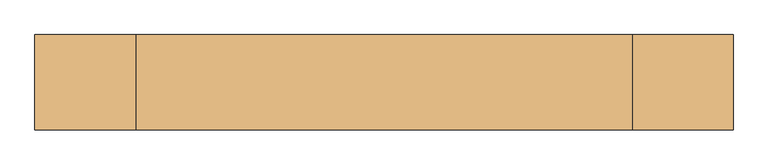
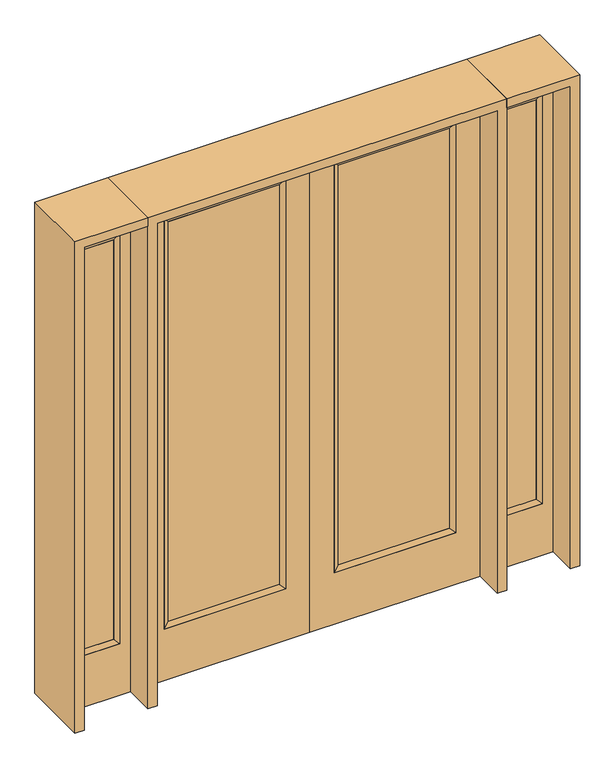
"""IFC4 building model written with IfcOpenShell, lengths in millimetres: door geometry."""

from ifc_helpers import new_model, si_unit, frame, origin, place, context, project, spatial, polyline, outline, extrude, faceted_brep, source, transform, mapped, element, save


def door_7eae0611(model_context):
    return source(origin(), model_context, "Body", "SolidModel", [
        extrude(outline(polyline([(140.8176, -12.7039749), (140.8176, 14.2875), (671.9824, 14.2875), (671.9824, -12.7039749), (140.8176, -12.7039749)])), frame((0.0, 0.0, 285.75), z_axis=(0.0, 0.0, 1.0), x_axis=(1.0, 0.0, 0.0)), (0.0, 0.0, 1.0), 2019.3),
        faceted_brep([(140.8176, 14.2875, 2305.05), (140.8176, 14.2875, 285.75), (115.4176, 22.225, 260.35), (115.4176, 22.225, 2330.45), (115.4176, -22.225, 260.35), (115.4176, -22.225, 2330.45), (671.9824, 14.2875, 285.75), (697.3824, 22.225, 260.35), (140.8176, -12.7039749, 2305.05), (140.8176, -12.7039749, 285.75), (671.9824, -12.7039749, 285.75), (697.3824, -22.225, 260.35), (671.9824, 14.2875, 2305.05), (697.3824, 22.225, 2330.45), (671.9824, -12.7039749, 2305.05), (697.3824, -22.225, 2330.45)], [[[0, 1, 2, 3]], [[3, 2, 4, 5]], [[1, 6, 7, 2]], [[8, 9, 1, 0]], [[9, 10, 6, 1]], [[5, 4, 9, 8]], [[4, 11, 10, 9]], [[2, 7, 11, 4]], [[6, 12, 13, 7]], [[10, 14, 12, 6]], [[11, 15, 14, 10]], [[7, 13, 15, 11]], [[12, 0, 3, 13]], [[14, 8, 0, 12]], [[15, 5, 8, 14]], [[13, 3, 5, 15]]]),
        extrude(outline(polyline([(0.0, 812.8), (2438.4, 812.8), (2438.4, 0.0), (0.0, 0.0), (0.0, 812.8)]), holes=[polyline([(260.35, 697.3824), (260.35, 115.4176), (2330.45, 115.4176), (2330.45, 697.3824), (260.35, 697.3824)])]), frame((0.0, -22.225, 0.0), z_axis=(0.0, 1.0, 0.0), x_axis=(0.0, 0.0, 1.0)), (0.0, 0.0, 1.0), 44.45),
        extrude(outline(polyline([(-140.8176, -12.7039749), (-671.9824, -12.7039749), (-671.9824, 14.2875), (-140.8176, 14.2875), (-140.8176, -12.7039749)])), frame((0.0, 0.0, 285.75), z_axis=(0.0, 0.0, 1.0), x_axis=(1.0, 0.0, 0.0)), (0.0, 0.0, 1.0), 2019.3),
        faceted_brep([(-140.8176, 14.2875, 2305.05), (-115.4176, 22.225, 2330.45), (-115.4176, 22.225, 260.35), (-140.8176, 14.2875, 285.75), (-115.4176, -22.225, 2330.45), (-115.4176, -22.225, 260.35), (-697.3824, 22.225, 260.35), (-671.9824, 14.2875, 285.75), (-140.8176, -12.7039749, 2305.05), (-140.8176, -12.7039749, 285.75), (-671.9824, -12.7039749, 285.75), (-697.3824, -22.225, 260.35), (-697.3824, 22.225, 2330.45), (-671.9824, 14.2875, 2305.05), (-671.9824, -12.7039749, 2305.05), (-697.3824, -22.225, 2330.45)], [[[0, 1, 2, 3]], [[1, 4, 5, 2]], [[3, 2, 6, 7]], [[8, 0, 3, 9]], [[9, 3, 7, 10]], [[4, 8, 9, 5]], [[5, 9, 10, 11]], [[2, 5, 11, 6]], [[7, 6, 12, 13]], [[10, 7, 13, 14]], [[11, 10, 14, 15]], [[6, 11, 15, 12]], [[13, 12, 1, 0]], [[14, 13, 0, 8]], [[15, 14, 8, 4]], [[12, 15, 4, 1]]]),
        extrude(outline(polyline([(0.0, -812.8), (0.0, 0.0), (2438.4, 0.0), (2438.4, -812.8), (0.0, -812.8)]), holes=[polyline([(260.35, -697.3824), (2330.45, -697.3824), (2330.45, -115.4176), (260.35, -115.4176), (260.35, -697.3824)])]), frame((0.0, -22.225, 0.0), z_axis=(0.0, 1.0, 0.0), x_axis=(0.0, 0.0, 1.0)), (0.0, 0.0, 1.0), 44.45),
        faceted_brep([(908.05, 20.6375, 2330.45), (908.05, 20.6375, 260.35), (908.05, -20.6375, 260.35), (908.05, -20.6375, 2330.45), (933.45, -12.7, 285.75), (933.45, -12.7, 2305.05), (1111.25, 20.6375, 260.35), (1111.25, -20.6375, 260.35), (933.45, 12.7, 2305.05), (933.45, 12.7, 285.75), (1085.85, 12.7, 285.75), (1085.85, -12.7, 285.75), (1111.25, 20.6375, 2330.45), (1111.25, -20.6375, 2330.45), (1085.85, 12.7, 2305.05), (1085.85, -12.7, 2305.05)], [[[0, 1, 2, 3]], [[3, 2, 4, 5]], [[1, 6, 7, 2]], [[8, 9, 1, 0]], [[9, 10, 6, 1]], [[5, 4, 9, 8]], [[4, 11, 10, 9]], [[2, 7, 11, 4]], [[6, 12, 13, 7]], [[10, 14, 12, 6]], [[11, 15, 14, 10]], [[7, 13, 15, 11]], [[12, 0, 3, 13]], [[14, 8, 0, 12]], [[15, 5, 8, 14]], [[13, 3, 5, 15]]]),
        extrude(outline(polyline([(0.0, 1162.05), (2438.4, 1162.05), (2438.4, 857.25), (0.0, 857.25), (0.0, 1162.05)]), holes=[polyline([(2330.45, 908.05), (2330.45, 1111.25), (260.35, 1111.25), (260.35, 908.05), (2330.45, 908.05)])]), frame((0.0, -20.6375, 0.0), z_axis=(0.0, 1.0, 0.0), x_axis=(0.0, 0.0, 1.0)), (0.0, 0.0, 1.0), 41.275),
        extrude(outline(polyline([(933.45, -12.7), (933.45, 12.7), (1085.85, 12.7), (1085.85, -12.7), (933.45, -12.7)])), frame((0.0, 0.0, 285.75), z_axis=(0.0, 0.0, 1.0), x_axis=(1.0, 0.0, 0.0)), (0.0, 0.0, 1.0), 2019.3),
        faceted_brep([(-908.05, 20.6375, 2330.45), (-908.05, -20.6375, 2330.45), (-908.05, -20.6375, 260.35), (-908.05, 20.6375, 260.35), (-933.45, -12.7, 2305.05), (-933.45, -12.7, 285.75), (-1111.25, -20.6375, 260.35), (-1111.25, 20.6375, 260.35), (-933.45, 12.7, 2305.05), (-933.45, 12.7, 285.75), (-1085.85, 12.7, 285.75), (-1085.85, -12.7, 285.75), (-1111.25, -20.6375, 2330.45), (-1111.25, 20.6375, 2330.45), (-1085.85, 12.7, 2305.05), (-1085.85, -12.7, 2305.05)], [[[0, 1, 2, 3]], [[1, 4, 5, 2]], [[3, 2, 6, 7]], [[8, 0, 3, 9]], [[9, 3, 7, 10]], [[4, 8, 9, 5]], [[5, 9, 10, 11]], [[2, 5, 11, 6]], [[7, 6, 12, 13]], [[10, 7, 13, 14]], [[11, 10, 14, 15]], [[6, 11, 15, 12]], [[13, 12, 1, 0]], [[14, 13, 0, 8]], [[15, 14, 8, 4]], [[12, 15, 4, 1]]]),
        extrude(outline(polyline([(0.0, -1162.05), (0.0, -857.25), (2438.4, -857.25), (2438.4, -1162.05), (0.0, -1162.05)]), holes=[polyline([(2330.45, -908.05), (260.35, -908.05), (260.35, -1111.25), (2330.45, -1111.25), (2330.45, -908.05)])]), frame((0.0, -20.6375, 0.0), z_axis=(0.0, 1.0, 0.0), x_axis=(0.0, 0.0, 1.0)), (0.0, 0.0, 1.0), 41.275),
        extrude(outline(polyline([(-933.45, -12.7), (-1085.85, -12.7), (-1085.85, 12.7), (-933.45, 12.7), (-933.45, -12.7)])), frame((0.0, 0.0, 285.75), z_axis=(0.0, 0.0, 1.0), x_axis=(1.0, 0.0, 0.0)), (0.0, 0.0, 1.0), 2019.3),
        extrude(outline(polyline([(2438.4, -857.25), (2482.85, -857.25), (2482.85, -1206.5), (0.0, -1206.5), (0.0, -1162.05), (2438.4, -1162.05), (2438.4, -857.25)])), frame((0.0, -165.1, 0.0), z_axis=(0.0, 1.0, 0.0), x_axis=(0.0, 0.0, 1.0)), (0.0, 0.0, 1.0), 330.2),
        extrude(outline(polyline([(2482.85, -857.25), (0.0, -857.25), (0.0, -812.8), (2438.4, -812.8), (2438.4, 812.8), (0.0, 812.8), (0.0, 857.25), (2482.85, 857.25), (2482.85, -857.25)])), frame((0.0, -165.1, 0.0), z_axis=(0.0, 1.0, 0.0), x_axis=(0.0, 0.0, 1.0)), (0.0, 0.0, 1.0), 330.2),
        extrude(outline(polyline([(0.0, 1162.05), (0.0, 1206.5), (2482.85, 1206.5), (2482.85, 857.25), (2438.4, 857.25), (2438.4, 1162.05), (0.0, 1162.05)])), frame((0.0, -165.1, 0.0), z_axis=(0.0, 1.0, 0.0), x_axis=(0.0, 0.0, 1.0)), (0.0, 0.0, 1.0), 330.2),
    ])


if __name__ == "__main__":
    model = new_model("IFC4")
    model_context = context("Model", 3, world=origin())
    ifc_project = project(units=[si_unit("LENGTHUNIT", "METRE", prefix="MILLI")], contexts=[model_context])
    site = spatial("IfcSite", under=ifc_project)
    building = spatial("IfcBuilding", under=site)
    placement = place(None, origin())
    door_shape = door_7eae0611(model_context)
    element("IfcDoor", 1, at=placement, inside=building, context=model_context, shape_type="MappedRepresentation", body=[
        mapped(door_shape, transform((0.0, 0.0, 0.0), x_axis=(1.0, 0.0, 0.0), y_axis=(0.0, 1.0, 0.0), z_axis=(0.0, 0.0, 1.0))),
    ])
    save(model, "model.ifc")
